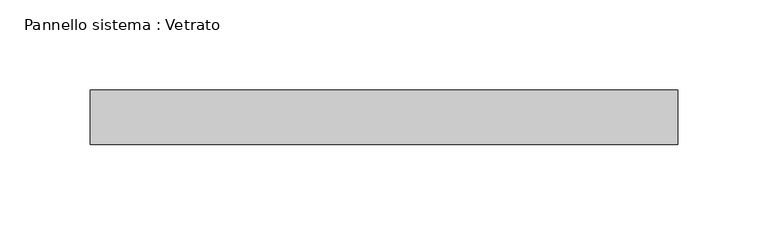
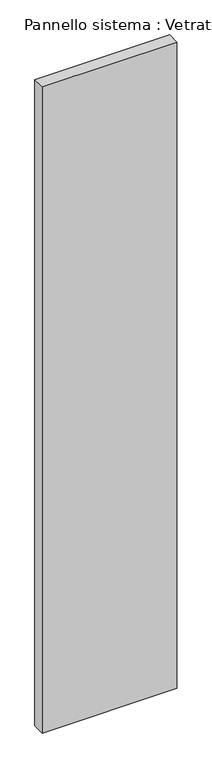
"""IFC4 building model written with IfcOpenShell, lengths in millimetres: plate geometry, Pannello sistema : Vetrato."""

from ifc_helpers import new_model, si_unit, origin, origin_with_axes, place, context, project, spatial, polyline, outline, extrude, source, transform, mapped, element, save


def pannello_sistema_vetrato_48ef1de6(model_context):
    return source(origin(), model_context, "Body", "SweptSolid", [
        extrude(outline(polyline([(162.550133, -15.0), (-162.550133, -15.0), (-162.550133, 15.0), (162.550133, 15.0), (162.550133, -15.0)])), origin_with_axes(), (0.0, 0.0, 1.0), 1650.0),
    ])


if __name__ == "__main__":
    model = new_model("IFC4")
    model_context = context("Model", 3, world=origin())
    ifc_project = project(units=[si_unit("LENGTHUNIT", "METRE", prefix="MILLI")], contexts=[model_context])
    site = spatial("IfcSite", under=ifc_project)
    building = spatial("IfcBuilding", under=site)
    placement = place(None, origin())
    pannello_sistema_vetrato_shape = pannello_sistema_vetrato_48ef1de6(model_context)
    element("IfcPlate", 1, ObjectType="Pannello sistema : Vetrato", at=placement, inside=building, context=model_context, shape_type="MappedRepresentation", body=[
        mapped(pannello_sistema_vetrato_shape, transform((0.0, 0.0, 0.0), x_axis=(1.0, 0.0, 0.0), y_axis=(0.0, 1.0, 0.0), z_axis=(0.0, 0.0, 1.0))),
    ])
    save(model, "model.ifc")
